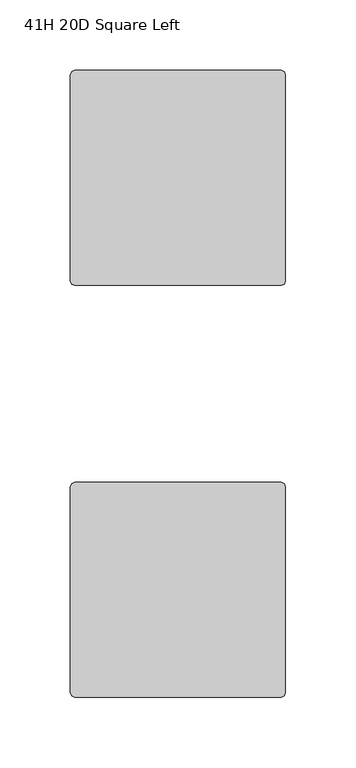
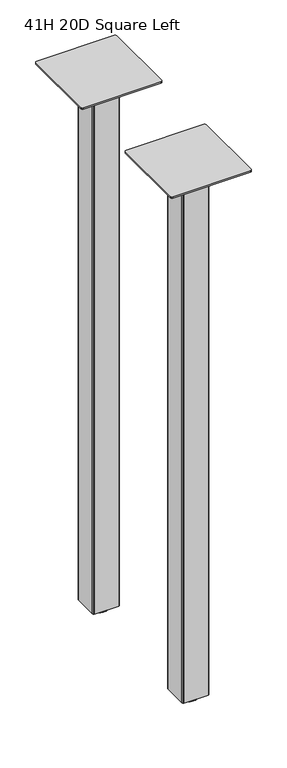
"""IFC4 building model written with IfcOpenShell, lengths in millimetres: furniture geometry, 41H 20D Square Left."""

import ifcopenshell
import ifcopenshell.guid

model = None  # the IFC model being written
_history = None  # IfcOwnerHistory: only IFC2X3 demands one
_inside = {}  # id of a spatial element -> (the spatial element, [elements in it])
_under = {}  # id of a project, library or spatial element -> (it, [spatial elements below it])
_declared = {}  # id of a project -> (the project, [libraries it declares])
_typed = {}  # id of a type object -> (the type object, [elements of that type])
_made_of = {}  # id of a material, layer set ... -> (it, [elements and type objects made of it])


def new_model(schema):
    """Start an empty IFC model of exactly this schema.

    Asked for "IFC4X3", IfcOpenShell would pick the latest addendum, in which some entities
    have other attributes; the version numbers below select the first issue.
    IFC2X3 requires an IfcOwnerHistory on every rooted entity: one is made here for all.
    """
    global model, _history
    if schema == "IFC4X3":
        model = ifcopenshell.file(schema_version=(4, 3, 0, 0))
    else:
        model = ifcopenshell.file(schema=schema)
    _inside.clear()
    _under.clear()
    _declared.clear()
    _typed.clear()
    _made_of.clear()
    _history = None
    if model.schema == "IFC2X3":
        org = make("IfcOrganization", Name="unknown")
        user = make(
            "IfcPersonAndOrganization",
            ThePerson=make("IfcPerson", FamilyName="unknown"),
            TheOrganization=org,
        )
        app = make(
            "IfcApplication",
            ApplicationDeveloper=org,
            Version="unknown",
            ApplicationFullName="unknown",
            ApplicationIdentifier="unknown",
        )
        _history = make(
            "IfcOwnerHistory",
            OwningUser=user,
            OwningApplication=app,
            ChangeAction="ADDED",
            CreationDate=0,
        )
    return model


def make(cls, **values):
    """One entity of the class cls with the attributes given. An attribute that is None is left unset."""
    return model.create_entity(
        cls, **{name: value for name, value in values.items() if value is not None}
    )


def rooted(cls, **values):
    """An entity with a GlobalId (a new one), such as an element, a storey or a relation."""
    return make(cls, GlobalId=ifcopenshell.guid.new(), OwnerHistory=_history, **values)


def si_unit(unit_type, name, prefix=None):
    """IfcSIUnit, for example si_unit("LENGTHUNIT", "METRE", prefix="MILLI")."""
    return make("IfcSIUnit", UnitType=unit_type, Prefix=prefix, Name=name)


def assignment(units):
    """IfcUnitAssignment: the units of a project."""
    return None if units is None else make("IfcUnitAssignment", Units=units)


def point(xyz):
    """IfcCartesianPoint."""
    return None if xyz is None else make("IfcCartesianPoint", Coordinates=xyz)


def direction(xyz):
    """IfcDirection."""
    return None if xyz is None else make("IfcDirection", DirectionRatios=xyz)


def frame(location, z_axis=None, x_axis=None):
    """IfcAxis2Placement3D, a coordinate frame: its origin and axes. An axis left out is left unset."""
    return make(
        "IfcAxis2Placement3D",
        Location=point(location),
        Axis=direction(z_axis),
        RefDirection=direction(x_axis),
    )


def origin():
    """The frame at (0, 0, 0) with its axes left unset."""
    return frame((0.0, 0.0, 0.0))


def place(relative_to, where):
    """IfcLocalPlacement: puts the frame where relative to a parent placement (None: the world)."""
    return make(
        "IfcLocalPlacement", PlacementRelTo=relative_to, RelativePlacement=where
    )


def context(
    kind, dimensions, precision=None, world=None, true_north=None, identifier=None
):
    """IfcGeometricRepresentationContext, for example the 3D "Model" context."""
    return make(
        "IfcGeometricRepresentationContext",
        ContextIdentifier=identifier,
        ContextType=kind,
        CoordinateSpaceDimension=dimensions,
        Precision=precision,
        WorldCoordinateSystem=world,
        TrueNorth=true_north,
    )


def project(units=None, contexts=None):
    """IfcProject with its units and contexts."""
    return rooted(
        "IfcProject",
        Name="project",
        RepresentationContexts=contexts,
        UnitsInContext=assignment(units),
    )


def spatial(cls, under=None, at=None, **own):
    """A site, building, storey or space (cls), placed at a placement, below another one or the project."""
    s = rooted(cls, ObjectPlacement=at, **own)
    if under is not None:
        _under.setdefault(under.id(), (under, []))[1].append(s)
    return s


def polyline(points):
    """IfcPolyline through the points."""
    return make("IfcPolyline", Points=[point(p) for p in points])


def circle_curve(where, radius):
    """IfcCircle in the frame where."""
    return make("IfcCircle", Position=where, Radius=radius)


def outline(outer, holes=None, kind="AREA"):
    """IfcArbitraryClosedProfileDef: a profile drawn as a closed curve; with holes, ...WithVoids."""
    if holes is None:
        return make("IfcArbitraryClosedProfileDef", ProfileType=kind, OuterCurve=outer)
    return make(
        "IfcArbitraryProfileDefWithVoids",
        ProfileType=kind,
        OuterCurve=outer,
        InnerCurves=holes,
    )


def extrude(swept, where, along, depth):
    """IfcExtrudedAreaSolid: the profile swept, set in the frame where, extruded along a direction by depth."""
    return make(
        "IfcExtrudedAreaSolid",
        SweptArea=swept,
        Position=where,
        ExtrudedDirection=direction(along),
        Depth=depth,
    )


def shape(context_of_items, identifier, shape_type, items):
    """IfcShapeRepresentation: the items that make up one representation, for example the "Body"."""
    return make(
        "IfcShapeRepresentation",
        ContextOfItems=context_of_items,
        RepresentationIdentifier=identifier,
        RepresentationType=shape_type,
        Items=items,
    )


def source(mapping_origin, context_of_items, identifier, shape_type, items):
    """IfcRepresentationMap: a shape defined once, which mapped items show again and again."""
    return make(
        "IfcRepresentationMap",
        MappingOrigin=mapping_origin,
        MappedRepresentation=shape(context_of_items, identifier, shape_type, items),
    )


def transform(
    local_origin,
    x_axis=None,
    y_axis=None,
    z_axis=None,
    scale=None,
    scale2=None,
    scale3=None,
    uniform=True,
):
    """IfcCartesianTransformationOperator3D, or its non-uniform kind. x_axis, y_axis, z_axis: its Axis1, 2, 3."""
    if uniform:
        return make(
            "IfcCartesianTransformationOperator3D",
            Axis1=direction(x_axis),
            Axis2=direction(y_axis),
            LocalOrigin=point(local_origin),
            Scale=scale,
            Axis3=direction(z_axis),
        )
    return make(
        "IfcCartesianTransformationOperator3DnonUniform",
        Axis1=direction(x_axis),
        Axis2=direction(y_axis),
        LocalOrigin=point(local_origin),
        Scale=scale,
        Axis3=direction(z_axis),
        Scale2=scale2,
        Scale3=scale3,
    )


def mapped(mapping_source, mapping_target):
    """IfcMappedItem: shows the shape of a source again, moved by a transform."""
    return make(
        "IfcMappedItem", MappingSource=mapping_source, MappingTarget=mapping_target
    )


def made_of(thing, what):
    """Note that an element or type object is made of a material, layer set ...; save() writes the relation."""
    if what is not None:
        _made_of.setdefault(what.id(), (what, []))[1].append(thing)
    return thing


def element(
    cls,
    number,
    at=None,
    inside=None,
    cuts=None,
    type_object=None,
    material=None,
    context=None,
    identifier="Body",
    shape_type=None,
    held_by="IfcProductDefinitionShape",
    body=None,
    shapes=None,
    **own,
):
    """One element of the class cls, such as IfcWall. Its Tag is "e" and its number.

    at: its placement. inside: the storey or other place that contains it. cuts: it is an
    opening in that element (IfcRelVoidsElement). A single representation is given by context,
    identifier, shape_type and body (its items); several are given by shapes. held_by: the class
    of the entity that holds the representations. save() writes the other relations.
    """
    e = rooted(cls, Tag="e%d" % number, ObjectPlacement=at, **own)
    if body is not None:
        shapes = [shape(context, identifier, shape_type, body)]
    if shapes is not None:
        e.Representation = make(held_by, Representations=shapes)
    if inside is not None:
        _inside.setdefault(inside.id(), (inside, []))[1].append(e)
    if cuts is not None:
        rooted(
            "IfcRelVoidsElement", RelatingBuildingElement=cuts, RelatedOpeningElement=e
        )
    if type_object is not None:
        _typed.setdefault(type_object.id(), (type_object, []))[1].append(e)
    return made_of(e, material)


def aggregate(whole, parts):
    """IfcRelAggregates: a whole, such as a stair, and the parts it consists of."""
    return rooted("IfcRelAggregates", RelatingObject=whole, RelatedObjects=parts)


def save(model, path):
    """Write the relations noted so far, then the file.

    IfcRelAggregates (storeys below a building ...), IfcRelContainedInSpatialStructure (elements
    in a storey), IfcRelDefinesByType, IfcRelAssociatesMaterial and IfcRelDeclares: one each for
    every whole, place, type object, material and project.
    """
    for whole, parts in _under.values():
        aggregate(whole, parts)
    for where, things in _inside.values():
        rooted(
            "IfcRelContainedInSpatialStructure",
            RelatedElements=things,
            RelatingStructure=where,
        )
    for kind, things in _typed.values():
        rooted("IfcRelDefinesByType", RelatedObjects=things, RelatingType=kind)
    for what, things in _made_of.values():
        rooted("IfcRelAssociatesMaterial", RelatedObjects=things, RelatingMaterial=what)
    for by, libraries in _declared.values():
        rooted("IfcRelDeclares", RelatingContext=by, RelatedDefinitions=libraries)
    model.write(path)


def plane_surface(at):
    """IfcPlane: the flat surface through the origin of the frame at, square to its z axis."""
    return make("IfcPlane", Position=at)


def cylinder_surface(at, radius):
    """IfcCylindricalSurface: all points at the distance radius from the z axis of the frame at."""
    return make("IfcCylindricalSurface", Position=at, Radius=radius)


def revolved_surface(curve, axis_point, axis_direction):
    """IfcSurfaceOfRevolution: the curve turned about the line through axis_point along axis_direction."""
    return make(
        "IfcSurfaceOfRevolution",
        SweptCurve=make("IfcArbitraryOpenProfileDef", ProfileType="CURVE", Curve=curve),
        AxisPosition=make("IfcAxis1Placement", Location=point(axis_point), Axis=direction(axis_direction)),
    )


def advanced_brep(points, edges, surfaces, faces):
    """IfcAdvancedBrep: a solid bounded by faces that lie on surfaces and meet in shared edges.

    An edge is (start, end): straight between two places in points (the first is 0);
    or (start, end, curve); or (start, end, curve, False) where it runs against its curve.
    A face is (place in surfaces, loops), or (place, loops, False) where it looks against
    its surface's normal. A loop lists edges by number (the first is 1), with a minus sign
    where the edge is run from its end to its start. The first loop is the outer one.
    """
    corners = [point(p) for p in points]
    vertices = [make("IfcVertexPoint", VertexGeometry=c) for c in corners]
    made = []
    for start, end, *more in edges:
        made.append(
            make(
                "IfcEdgeCurve",
                EdgeStart=vertices[start],
                EdgeEnd=vertices[end],
                EdgeGeometry=more[0] if more else make("IfcPolyline", Points=[corners[start], corners[end]]),
                SameSense=more[1] if len(more) > 1 else True,
            )
        )
    hull = []
    for where, loops, *sense in faces:
        bounds = []
        for j, loop in enumerate(loops):
            ring = [make("IfcOrientedEdge", EdgeElement=made[abs(k) - 1], Orientation=k > 0) for k in loop]
            bounds.append(
                make(
                    "IfcFaceOuterBound" if j == 0 else "IfcFaceBound",
                    Bound=make("IfcEdgeLoop", EdgeList=ring),
                    Orientation=True,
                )
            )
        hull.append(make("IfcAdvancedFace", Bounds=bounds, FaceSurface=surfaces[where], SameSense=sense[0] if sense else True))
    return make("IfcAdvancedBrep", Outer=make("IfcClosedShell", CfsFaces=hull))


def furniture_41h_20d_square_left_01b25708(model_context):
    return source(origin(), model_context, "Body", "SolidModel", [
        extrude(outline(polyline([(82.5508751, -130.809957), (82.5508751, -85.0899643), (83.2948249, -83.2939256), (85.0907849, -82.550003), (130.8109622, -82.550003), (132.6069222, -83.2939256), (133.350872, -85.0899643), (133.350872, -130.809957), (132.6069222, -132.606032), (130.8107429, -133.3500091), (85.0910042, -133.3500091), (83.2948249, -132.606032), (82.5508751, -130.809957)])), frame((0.0, 0.0, 10.1608624), z_axis=(0.0, 0.0, 1.0), x_axis=(1.0, 0.0, 0.0)), (0.0, 0.0, 1.0), 1054.227),
        extrude(outline(polyline([(82.5508751, -422.9099865), (82.5508751, -377.1899938), (83.2948249, -375.3939552), (85.0907849, -374.6500326), (130.8109622, -374.6500326), (132.6069222, -375.3939552), (133.350872, -377.1899938), (133.350872, -422.9099865), (132.6069222, -424.7060615), (130.8107429, -425.4500386), (85.0910042, -425.4500386), (83.2948249, -424.7060615), (82.5508751, -422.9099865)])), frame((0.0, 0.0, 10.1608624), z_axis=(0.0, 0.0, 1.0), x_axis=(1.0, 0.0, 0.0)), (0.0, 0.0, 1.0), 1054.227),
        extrude(outline(polyline([(31.7508849, -326.8980259), (32.6436243, -324.7427636), (34.7988843, -323.8500265), (181.102881, -323.8500265), (183.2581455, -324.7427636), (184.1508781, -326.8980259), (184.1508781, -473.2020271), (183.2581455, -475.3572917), (181.1029194, -476.2500083), (34.7988459, -476.2500083), (32.6436243, -475.3572917), (31.7508849, -473.2020271), (31.7508849, -326.8980259)])), frame((0.0, 0.0, 1064.3878623), z_axis=(0.0, 0.0, 1.0), x_axis=(1.0, 0.0, 0.0)), (0.0, 0.0, 1.0), 3.048),
        advanced_brep(
        [(107.9508872, -400.0500356, 11.1759893), (119.1268856, -400.0500356, 11.1759893), (96.7748888, -400.0500356, 11.1759893), (95.2064298, -400.0500356, 0.0), (120.6953446, -400.0500356, 0.0), (107.9508872, -400.0500356, 0.0), (92.111765, -400.0500356, 0.4083326), (123.7900094, -400.0500356, 0.4083326), (90.7852289, -400.0500356, 2.0055462), (125.1165454, -400.0500356, 2.0055462), (90.7852289, -400.0500356, 4.3444296), (125.1165454, -400.0500356, 4.3444296), (92.111765, -400.0500356, 5.9416431), (123.7900094, -400.0500356, 5.9416431), (93.6849338, -400.0500356, 6.3499758), (122.2168405, -400.0500356, 6.3499758), (96.7748888, -400.0500356, 6.3499758), (119.1268856, -400.0500356, 6.3499758)],
        [
            (0, 1),
            (1, 2, circle_curve(frame((107.9508872, -400.0500356, 11.1759893), z_axis=(0.0, 0.0, 1.0), x_axis=(1.0, 0.0, 0.0)), 11.1759984)),
            (2, 0),
            (2, 1, circle_curve(frame((107.9508872, -400.0500356, 11.1759893), z_axis=(0.0, 0.0, 1.0), x_axis=(1.0, 0.0, 0.0)), 11.1759984)),
            (3, 4, circle_curve(frame((107.9508872, -400.0500356, 0.0), z_axis=(0.0, 0.0, -1.0), x_axis=(1.0, 0.0, 0.0)), 12.7444574)),
            (4, 5),
            (5, 3),
            (4, 3, circle_curve(frame((107.9508872, -400.0500356, 0.0), z_axis=(0.0, 0.0, -1.0), x_axis=(1.0, 0.0, 0.0)), 12.7444574)),
            (6, 7, circle_curve(frame((107.9508872, -400.0500356, 0.4083326), z_axis=(0.0, 0.0, -1.0), x_axis=(1.0, 0.0, 0.0)), 15.8391222)),
            (7, 4),
            (3, 6),
            (7, 6, circle_curve(frame((107.9508872, -400.0500356, 0.4083326), z_axis=(0.0, 0.0, -1.0), x_axis=(1.0, 0.0, 0.0)), 15.8391222)),
            (8, 9, circle_curve(frame((107.9508872, -400.0500356, 2.0055462), z_axis=(0.0, 0.0, -1.0), x_axis=(1.0, 0.0, 0.0)), 17.1656583)),
            (9, 7),
            (6, 8),
            (9, 8, circle_curve(frame((107.9508872, -400.0500356, 2.0055462), z_axis=(0.0, 0.0, -1.0), x_axis=(1.0, 0.0, 0.0)), 17.1656583)),
            (10, 11, circle_curve(frame((107.9508872, -400.0500356, 4.3444296), z_axis=(0.0, 0.0, -1.0), x_axis=(1.0, 0.0, 0.0)), 17.1656583)),
            (11, 9),
            (8, 10),
            (11, 10, circle_curve(frame((107.9508872, -400.0500356, 4.3444296), z_axis=(0.0, 0.0, -1.0), x_axis=(1.0, 0.0, 0.0)), 17.1656583)),
            (12, 13, circle_curve(frame((107.9508872, -400.0500356, 5.9416431), z_axis=(0.0, 0.0, -1.0), x_axis=(1.0, 0.0, 0.0)), 15.8391222)),
            (13, 11),
            (10, 12),
            (13, 12, circle_curve(frame((107.9508872, -400.0500356, 5.9416431), z_axis=(0.0, 0.0, -1.0), x_axis=(1.0, 0.0, 0.0)), 15.8391222)),
            (14, 15, circle_curve(frame((107.9508872, -400.0500356, 6.3499758), z_axis=(0.0, 0.0, -1.0), x_axis=(1.0, 0.0, 0.0)), 14.2659534)),
            (15, 13),
            (12, 14),
            (15, 14, circle_curve(frame((107.9508872, -400.0500356, 6.3499758), z_axis=(0.0, 0.0, -1.0), x_axis=(1.0, 0.0, 0.0)), 14.2659534)),
            (16, 17, circle_curve(frame((107.9508872, -400.0500356, 6.3499758), z_axis=(0.0, 0.0, -1.0), x_axis=(1.0, 0.0, 0.0)), 11.1759984)),
            (17, 15),
            (14, 16),
            (17, 16, circle_curve(frame((107.9508872, -400.0500356, 6.3499758), z_axis=(0.0, 0.0, -1.0), x_axis=(1.0, 0.0, 0.0)), 11.1759984)),
            (1, 17),
            (16, 2),
        ],
        [
            plane_surface(frame((107.9508872, -400.0500356, 11.1759893), z_axis=(0.0, 0.0, 1.0), x_axis=(1.0, 0.0, 0.0))),
            plane_surface(frame((107.9508872, -400.0500356, 0.0), z_axis=(0.0, 0.0, -1.0), x_axis=(1.0, 0.0, 0.0))),
            revolved_surface(polyline([(120.6953446, -400.0500356, 0.0), (123.7900094, -400.0500356, 0.4083326)]), (107.9508872, -400.0500356, 11.1759893), (0.0, 0.0, 1.0)),
            revolved_surface(polyline([(123.7900094, -400.0500356, 0.4083326), (125.1165454, -400.0500356, 2.0055462)]), (107.9508872, -400.0500356, 11.1759893), (0.0, 0.0, 1.0)),
            cylinder_surface(frame((107.9508872, -400.0500356, 11.1759893), z_axis=(0.0, 0.0, 1.0), x_axis=(1.0, 0.0, 0.0)), 17.1656583),
            revolved_surface(polyline([(125.1165454, -400.0500356, 4.3444296), (123.7900094, -400.0500356, 5.9416431)]), (107.9508872, -400.0500356, 11.1759893), (0.0, 0.0, 1.0)),
            revolved_surface(polyline([(123.7900094, -400.0500356, 5.9416431), (122.2168405, -400.0500356, 6.3499758)]), (107.9508872, -400.0500356, 11.1759893), (0.0, 0.0, 1.0)),
            plane_surface(frame((107.9508872, -400.0500356, 6.3499758), z_axis=(0.0, 0.0, 1.0), x_axis=(1.0, 0.0, 0.0))),
            cylinder_surface(frame((107.9508872, -400.0500356, 11.1759893), z_axis=(0.0, 0.0, 1.0), x_axis=(1.0, 0.0, 0.0)), 11.1759984),
        ],
        [
            (0, [[1, 2, 3]]),
            (0, [[-3, 4, -1]]),
            (1, [[5, 6, 7]]),
            (1, [[8, -7, -6]]),
            (2, [[9, 10, -5, 11]]),
            (2, [[12, -11, -8, -10]]),
            (3, [[13, 14, -9, 15]]),
            (3, [[16, -15, -12, -14]]),
            (4, [[17, 18, -13, 19]]),
            (4, [[20, -19, -16, -18]]),
            (5, [[21, 22, -17, 23]]),
            (5, [[24, -23, -20, -22]]),
            (6, [[25, 26, -21, 27]]),
            (6, [[28, -27, -24, -26]]),
            (7, [[29, 30, -25, 31]]),
            (7, [[32, -31, -28, -30]]),
            (8, [[-2, 33, -29, 34]]),
            (8, [[-4, -34, -32, -33]]),
        ],
    ),
        advanced_brep(
        [(107.9508872, -107.9500061, 11.1759893), (119.1268856, -107.9500061, 11.1759893), (96.7748888, -107.9500061, 11.1759893), (95.2064298, -107.9500061, 0.0), (120.6953446, -107.9500061, 0.0), (107.9508872, -107.9500061, 0.0), (92.111765, -107.9500061, 0.4083326), (123.7900094, -107.9500061, 0.4083326), (90.7852289, -107.9500061, 2.0055462), (125.1165454, -107.9500061, 2.0055462), (90.7852289, -107.9500061, 4.3444296), (125.1165454, -107.9500061, 4.3444296), (92.111765, -107.9500061, 5.9416431), (123.7900094, -107.9500061, 5.9416431), (93.6849338, -107.9500061, 6.3499758), (122.2168405, -107.9500061, 6.3499758), (96.7748888, -107.9500061, 6.3499758), (119.1268856, -107.9500061, 6.3499758)],
        [
            (0, 1),
            (1, 2, circle_curve(frame((107.9508872, -107.9500061, 11.1759893), z_axis=(0.0, 0.0, 1.0), x_axis=(1.0, 0.0, 0.0)), 11.1759984)),
            (2, 0),
            (2, 1, circle_curve(frame((107.9508872, -107.9500061, 11.1759893), z_axis=(0.0, 0.0, 1.0), x_axis=(1.0, 0.0, 0.0)), 11.1759984)),
            (3, 4, circle_curve(frame((107.9508872, -107.9500061, 0.0), z_axis=(0.0, 0.0, -1.0), x_axis=(1.0, 0.0, 0.0)), 12.7444574)),
            (4, 5),
            (5, 3),
            (4, 3, circle_curve(frame((107.9508872, -107.9500061, 0.0), z_axis=(0.0, 0.0, -1.0), x_axis=(1.0, 0.0, 0.0)), 12.7444574)),
            (6, 7, circle_curve(frame((107.9508872, -107.9500061, 0.4083326), z_axis=(0.0, 0.0, -1.0), x_axis=(1.0, 0.0, 0.0)), 15.8391222)),
            (7, 4),
            (3, 6),
            (7, 6, circle_curve(frame((107.9508872, -107.9500061, 0.4083326), z_axis=(0.0, 0.0, -1.0), x_axis=(1.0, 0.0, 0.0)), 15.8391222)),
            (8, 9, circle_curve(frame((107.9508872, -107.9500061, 2.0055462), z_axis=(0.0, 0.0, -1.0), x_axis=(1.0, 0.0, 0.0)), 17.1656583)),
            (9, 7),
            (6, 8),
            (9, 8, circle_curve(frame((107.9508872, -107.9500061, 2.0055462), z_axis=(0.0, 0.0, -1.0), x_axis=(1.0, 0.0, 0.0)), 17.1656583)),
            (10, 11, circle_curve(frame((107.9508872, -107.9500061, 4.3444296), z_axis=(0.0, 0.0, -1.0), x_axis=(1.0, 0.0, 0.0)), 17.1656583)),
            (11, 9),
            (8, 10),
            (11, 10, circle_curve(frame((107.9508872, -107.9500061, 4.3444296), z_axis=(0.0, 0.0, -1.0), x_axis=(1.0, 0.0, 0.0)), 17.1656583)),
            (12, 13, circle_curve(frame((107.9508872, -107.9500061, 5.9416431), z_axis=(0.0, 0.0, -1.0), x_axis=(1.0, 0.0, 0.0)), 15.8391222)),
            (13, 11),
            (10, 12),
            (13, 12, circle_curve(frame((107.9508872, -107.9500061, 5.9416431), z_axis=(0.0, 0.0, -1.0), x_axis=(1.0, 0.0, 0.0)), 15.8391222)),
            (14, 15, circle_curve(frame((107.9508872, -107.9500061, 6.3499758), z_axis=(0.0, 0.0, -1.0), x_axis=(1.0, 0.0, 0.0)), 14.2659534)),
            (15, 13),
            (12, 14),
            (15, 14, circle_curve(frame((107.9508872, -107.9500061, 6.3499758), z_axis=(0.0, 0.0, -1.0), x_axis=(1.0, 0.0, 0.0)), 14.2659534)),
            (16, 17, circle_curve(frame((107.9508872, -107.9500061, 6.3499758), z_axis=(0.0, 0.0, -1.0), x_axis=(1.0, 0.0, 0.0)), 11.1759984)),
            (17, 15),
            (14, 16),
            (17, 16, circle_curve(frame((107.9508872, -107.9500061, 6.3499758), z_axis=(0.0, 0.0, -1.0), x_axis=(1.0, 0.0, 0.0)), 11.1759984)),
            (1, 17),
            (16, 2),
        ],
        [
            plane_surface(frame((107.9508872, -107.9500061, 11.1759893), z_axis=(0.0, 0.0, 1.0), x_axis=(1.0, 0.0, 0.0))),
            plane_surface(frame((107.9508872, -107.9500061, 0.0), z_axis=(0.0, 0.0, -1.0), x_axis=(1.0, 0.0, 0.0))),
            revolved_surface(polyline([(120.6953446, -107.9500061, 0.0), (123.7900094, -107.9500061, 0.4083326)]), (107.9508872, -107.9500061, 11.1759893), (0.0, 0.0, 1.0)),
            revolved_surface(polyline([(123.7900094, -107.9500061, 0.4083326), (125.1165454, -107.9500061, 2.0055462)]), (107.9508872, -107.9500061, 11.1759893), (0.0, 0.0, 1.0)),
            cylinder_surface(frame((107.9508872, -107.9500061, 11.1759893), z_axis=(0.0, 0.0, 1.0), x_axis=(1.0, 0.0, 0.0)), 17.1656583),
            revolved_surface(polyline([(125.1165454, -107.9500061, 4.3444296), (123.7900094, -107.9500061, 5.9416431)]), (107.9508872, -107.9500061, 11.1759893), (0.0, 0.0, 1.0)),
            revolved_surface(polyline([(123.7900094, -107.9500061, 5.9416431), (122.2168405, -107.9500061, 6.3499758)]), (107.9508872, -107.9500061, 11.1759893), (0.0, 0.0, 1.0)),
            plane_surface(frame((107.9508872, -107.9500061, 6.3499758), z_axis=(0.0, 0.0, 1.0), x_axis=(1.0, 0.0, 0.0))),
            cylinder_surface(frame((107.9508872, -107.9500061, 11.1759893), z_axis=(0.0, 0.0, 1.0), x_axis=(1.0, 0.0, 0.0)), 11.1759984),
        ],
        [
            (0, [[1, 2, 3]]),
            (0, [[-3, 4, -1]]),
            (1, [[5, 6, 7]]),
            (1, [[8, -7, -6]]),
            (2, [[9, 10, -5, 11]]),
            (2, [[12, -11, -8, -10]]),
            (3, [[13, 14, -9, 15]]),
            (3, [[16, -15, -12, -14]]),
            (4, [[17, 18, -13, 19]]),
            (4, [[20, -19, -16, -18]]),
            (5, [[21, 22, -17, 23]]),
            (5, [[24, -23, -20, -22]]),
            (6, [[25, 26, -21, 27]]),
            (6, [[28, -27, -24, -26]]),
            (7, [[29, 30, -25, 31]]),
            (7, [[32, -31, -28, -30]]),
            (8, [[-2, 33, -29, 34]]),
            (8, [[-4, -34, -32, -33]]),
        ],
    ),
        extrude(outline(polyline([(31.7508849, -34.7980077), (32.6436243, -32.6427454), (34.7988843, -31.7500083), (181.102881, -31.7500083), (183.2581455, -32.6427454), (184.1508781, -34.7980077), (184.1508781, -181.102009), (183.2581455, -183.2572735), (181.102881, -184.1500061), (34.7988843, -184.1500061), (32.6436243, -183.2572735), (31.7508849, -181.102009), (31.7508849, -34.7980077)])), frame((0.0, 0.0, 1064.3878623), z_axis=(0.0, 0.0, 1.0), x_axis=(1.0, 0.0, 0.0)), (0.0, 0.0, 1.0), 3.048),
    ])


if __name__ == "__main__":
    model = new_model("IFC4")
    model_context = context("Model", 3, world=origin())
    ifc_project = project(units=[si_unit("LENGTHUNIT", "METRE", prefix="MILLI")], contexts=[model_context])
    site = spatial("IfcSite", under=ifc_project)
    building = spatial("IfcBuilding", under=site)
    placement = place(None, origin())
    furniture_41h_20d_square_left_shape = furniture_41h_20d_square_left_01b25708(model_context)
    element("IfcFurniture", 1, ObjectType="41H 20D Square Left", at=placement, inside=building, context=model_context, shape_type="MappedRepresentation", body=[
        mapped(furniture_41h_20d_square_left_shape, transform((0.0, 0.0, 0.0), x_axis=(1.0, 0.0, 0.0), y_axis=(0.0, 1.0, 0.0), z_axis=(0.0, 0.0, 1.0))),
    ])
    save(model, "model.ifc")
